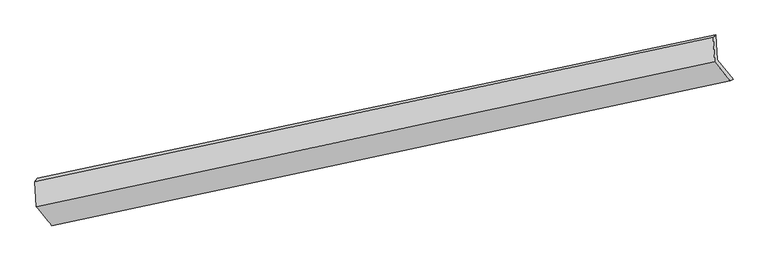
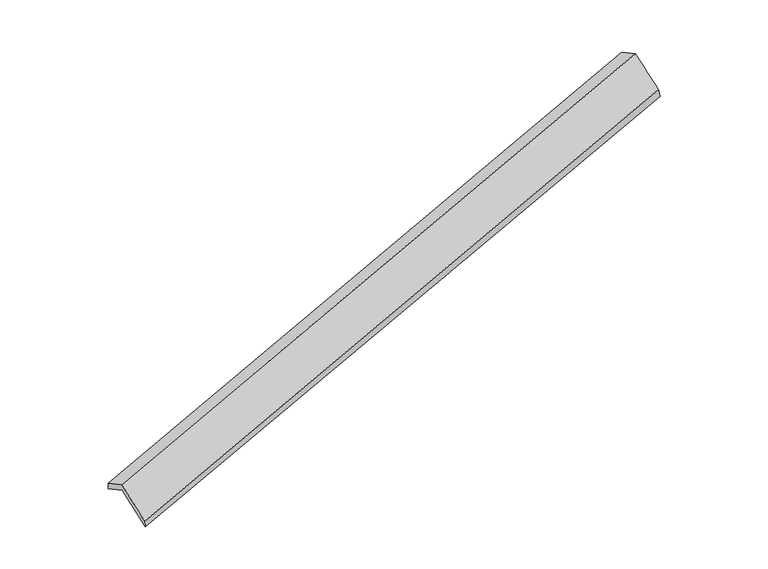
"""IFC4 building model written with IfcOpenShell, lengths in millimetres: proxy geometry."""

from ifc_helpers import new_model, si_unit, frame, origin, place, context, project, spatial, source, transform, mapped, element, save
from ifc_brep_helpers import plane_surface, spline_surface, advanced_brep


def generic_models_196c1020(model_context):
    return source(origin(), model_context, "Body", "AdvancedBrep", [
        advanced_brep(
        [(-8386.0776098, -2672.255753, 495.7251493), (-8409.2483845, -2267.9952936, 284.6783787), (2525.9997304, 44.1149993, 3543.931648), (2549.1705052, -360.14546, 3754.9784187), (-8445.2002806, -2322.4105877, 443.7047299), (2485.3609925, 7.0651394, 3704.2819621), (-8422.323312, -2721.5450109, 652.0754204), (2508.237961, -392.0692837, 3912.6526526), (-8169.8435155, -3032.0423652, 29.5974967), (2760.1224489, -697.7665683, 3299.4346297), (-8133.268298, -2983.1583422, -127.5651799), (2804.8386002, -670.4346845, 3132.5491255)],
        [
            (0, 1),
            (1, 2),
            (2, 3),
            (3, 0),
            (1, 4),
            (4, 5),
            (5, 2),
            (4, 6),
            (6, 7),
            (7, 5),
            (6, 8),
            (8, 9),
            (9, 7),
            (8, 10),
            (10, 11),
            (11, 9),
            (10, 0),
            (3, 11),
        ],
        [
            plane_surface(frame((-8397.6629971, -2470.1255233, 390.201764), z_axis=(0.33962974497023435, -0.41990816684431137, -0.8416226991644795), x_axis=(-0.050743826174237845, 0.8853274307876001, -0.4621908744233555))),
            spline_surface(1, 1, [[(-8409.2483845, -2267.9952936, 284.6783787), (2525.9997304, 44.1149993, 3543.931648)], [(-8445.2002806, -2322.4105877, 443.7047299), (2485.3609925, 7.0651394, 3704.2819621)]], [2, 2], [2, 2], [0.0, 1.0], [0.0, 1.0]),
            plane_surface(frame((-8433.7617963, -2521.9777993, 547.8900752), z_axis=(-0.3404361834234147, 0.41973652860486715, 0.8413824645016288), x_axis=(0.050743826174256476, -0.8853274307875832, 0.46219087442338563))),
            spline_surface(1, 1, [[(-8422.323312, -2721.5450109, 652.0754204), (2508.237961, -392.0692837, 3912.6526526)], [(-8169.8435155, -3032.0423652, 29.5974967), (2760.1224489, -697.7665683, 3299.4346297)]], [2, 2], [2, 2], [0.0, 1.0], [0.0, 1.0]),
            spline_surface(1, 1, [[(-8169.8435155, -3032.0423652, 29.5974967), (2760.1224489, -697.7665683, 3299.4346297)], [(-8133.268298, -2983.1583422, -127.5651799), (2804.8386002, -670.4346845, 3132.5491255)]], [2, 2], [2, 2], [0.0, 1.0], [0.0, 1.0]),
            spline_surface(1, 1, [[(-8133.268298, -2983.1583422, -127.5651799), (2804.8386002, -670.4346845, 3132.5491255)], [(-8386.0776098, -2672.255753, 495.7251493), (2549.1705052, -360.14546, 3754.9784187)]], [2, 2], [2, 2], [0.0, 1.0], [0.0, 1.0]),
            plane_surface(frame((2605.6217063, -344.872643, 3557.9714061), z_axis=(0.9372165325811654, 0.20209750264211943, 0.2842213406525904), x_axis=(0.25563634412309694, 0.15625277778032376, -0.9540624345394333))),
            plane_surface(frame((-8327.6602334, -2666.5678921, 296.3693325), z_axis=(-0.9386278778155006, -0.20037330389883004, -0.2807636836776387), x_axis=(0.3411785032688828, -0.41957821604509976, -0.8411607156350186))),
        ],
        [
            (0, [[1, 2, 3, 4]]),
            (1, [[5, 6, 7, -2]]),
            (2, [[8, 9, 10, -6]]),
            (3, [[11, 12, 13, -9]]),
            (4, [[14, 15, 16, -12]]),
            (5, [[17, -4, 18, -15]]),
            (6, [[-16, -18, -3, -7, -10, -13]]),
            (7, [[-17, -14, -11, -8, -5, -1]]),
        ],
    ),
    ])


if __name__ == "__main__":
    model = new_model("IFC4")
    model_context = context("Model", 3, world=origin())
    ifc_project = project(units=[si_unit("LENGTHUNIT", "METRE", prefix="MILLI")], contexts=[model_context])
    site = spatial("IfcSite", under=ifc_project)
    building = spatial("IfcBuilding", under=site)
    placement = place(None, origin())
    generic_models_shape = generic_models_196c1020(model_context)
    element("IfcBuildingElementProxy", 1, Name="Generic Models", at=placement, inside=building, context=model_context, shape_type="MappedRepresentation", body=[
        mapped(generic_models_shape, transform((0.0, 0.0, 0.0), x_axis=(1.0, 0.0, 0.0), y_axis=(0.0, 1.0, 0.0), z_axis=(0.0, 0.0, 1.0))),
    ])
    save(model, "model.ifc")
